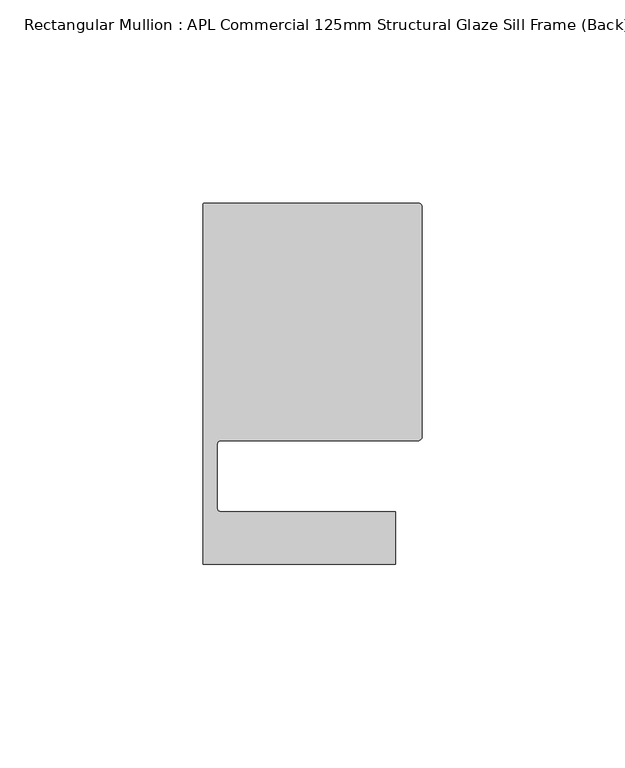
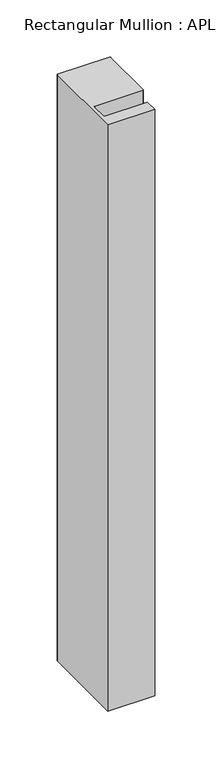
"""IFC4 building model written with IfcOpenShell, lengths in millimetres: member geometry, Rectangular Mullion : APL Commercial 125mm Structural Glaze Sill Frame (Back)."""

from ifc_helpers import new_model, si_unit, frame, origin, place, context, project, spatial, polyline, circle_curve, source, transform, mapped, element, save
from ifc_brep_helpers import plane_surface, cylinder_surface, revolved_surface, advanced_brep


def rectangular_mullion_apl_commercial_125mm_structural_glaze_0115c106(model_context):
    return source(origin(), model_context, "Body", "AdvancedBrep", [
        advanced_brep(
        [(-53.5000029, 104.0, 0.0), (-54.0000029, 103.5, 0.0), (-54.0000029, 15.0004332, 0.0), (-6.5000029, 15.0004332, 0.0), (-6.5000029, 28.0004332, 0.0), (-49.5000029, 28.0004332, 0.0), (-50.5000029, 29.0004332, 0.0), (-50.5000029, 44.5010268, 0.0), (-49.5000004, 45.5010268, 0.0), (-1.0, 45.5010268, 0.0), (0.0, 46.5010268, 0.0), (0.0, 103.0, 0.0), (-1.0000025, 104.0, 0.0), (-53.5000029, 104.0, -628.0250341), (-1.0000025, 104.0, -628.0250341), (-2.5e-06, 103.0, -628.0250341), (0.0, 46.5010268, -628.0250341), (-1.0, 45.5010268, -628.0250341), (-49.5000004, 45.5010268, -628.0250341), (-50.5000004, 44.5010268, -628.0250341), (-50.5000029, 29.0004332, -628.0250341), (-49.5000029, 28.0004332, -628.0250341), (-6.5000029, 28.0004332, -628.0250341), (-6.5000029, 15.0004332, -628.0250341), (-54.0000029, 15.0004332, -628.0250341), (-54.0000029, 103.5, -628.0250341)],
        [
            (0, 1, circle_curve(frame((-53.5000029, 103.5, 0.0), z_axis=(0.0, 0.0, 1.0), x_axis=(0.0, 1.0, 0.0)), 0.5)),
            (1, 2),
            (2, 3),
            (3, 4),
            (4, 5),
            (5, 6, circle_curve(frame((-49.5000029, 29.0004332, 0.0), z_axis=(0.0, 0.0, -1.0), x_axis=(0.0, -1.0, 0.0)), 1.0)),
            (6, 7),
            (7, 8, circle_curve(frame((-49.5000004, 44.5010268, 0.0), z_axis=(0.0, 0.0, -1.0), x_axis=(-0.9999999999998819, 4.863123717036027e-07, 0.0)), 1.0)),
            (8, 9),
            (9, 10, circle_curve(frame((-1.0, 46.5010268, 0.0), z_axis=(0.0, 0.0, 1.0), x_axis=(0.0, -1.0, 0.0)), 1.0)),
            (10, 11),
            (11, 12, circle_curve(frame((-1.0000025, 103.0, 0.0), z_axis=(0.0, 0.0, 1.0), x_axis=(0.9999999999996143, 8.78371761103865e-07, 0.0)), 1.0)),
            (12, 0),
            (13, 14),
            (14, 15, circle_curve(frame((-1.0000025, 103.0, -628.0250341), z_axis=(0.0, 0.0, -1.0), x_axis=(0.9999999999996143, 8.78371761103865e-07, 0.0)), 1.0)),
            (15, 16),
            (16, 17, circle_curve(frame((-1.0, 46.5010268, -628.0250341), z_axis=(0.0, 0.0, -1.0), x_axis=(0.0, -1.0, 0.0)), 1.0)),
            (17, 18),
            (18, 19, circle_curve(frame((-49.5000004, 44.5010268, -628.0250341), z_axis=(0.0, 0.0, 1.0), x_axis=(-0.9999999999998819, 4.863123717036027e-07, 0.0)), 1.0)),
            (19, 20),
            (20, 21, circle_curve(frame((-49.5000029, 29.0004332, -628.0250341), z_axis=(0.0, 0.0, 1.0), x_axis=(0.0, -1.0, 0.0)), 1.0)),
            (21, 22),
            (22, 23),
            (23, 24),
            (24, 25),
            (25, 13, circle_curve(frame((-53.5000029, 103.5, -628.0250341), z_axis=(0.0, 0.0, -1.0), x_axis=(0.0, 1.0, 0.0)), 0.5)),
            (0, 13),
            (25, 1),
            (24, 2),
            (23, 3),
            (22, 4),
            (21, 5),
            (20, 6),
            (19, 7),
            (18, 8),
            (17, 9),
            (16, 10),
            (15, 11),
            (14, 12),
        ],
        [
            plane_surface(frame((0.0, -116.986179, 0.0), z_axis=(0.0, 0.0, 1.0), x_axis=(-1.0, 0.0, 0.0))),
            plane_surface(frame((0.0, -116.986179, -628.0250341), z_axis=(0.0, 0.0, -1.0), x_axis=(-1.0, 0.0, 0.0))),
            cylinder_surface(frame((-53.5000029, 103.5, 0.0), z_axis=(0.0, 0.0, 1.0), x_axis=(0.0, 1.0, 0.0)), 0.5),
            plane_surface(frame((-54.0000029, 103.5, 0.0), z_axis=(-1.0, 0.0, 0.0), x_axis=(0.0, 0.0, -1.0))),
            plane_surface(frame((-54.0000029, 15.0004332, 0.0), z_axis=(0.0, -1.0, 0.0), x_axis=(0.0, 0.0, -1.0))),
            plane_surface(frame((-6.5000029, 15.0004332, 0.0), z_axis=(1.0, 0.0, 0.0), x_axis=(0.0, 0.0, -1.0))),
            plane_surface(frame((-6.5000029, 28.0004332, 0.0), z_axis=(0.0, 1.0, 0.0), x_axis=(0.0, 0.0, -1.0))),
            revolved_surface(polyline([(-49.5000029, 28.0004332, -628.0250341), (-49.5000029, 28.0004332, 0.0)]), (-49.5000029, 29.0004332, 0.0), (0.0, 0.0, -1.0)),
            plane_surface(frame((-50.5000029, 29.0004332, 0.0), z_axis=(1.0, 0.0, 0.0), x_axis=(0.0, 0.0, -1.0))),
            revolved_surface(polyline([(-50.50000039999988, 44.50102728631237, -628.0250341000002), (-50.50000039999988, 44.50102728631237, 0.0)]), (-49.5000004, 44.5010268, 0.0), (0.0, 0.0, -1.0000000000000002)),
            plane_surface(frame((-49.5000004, 45.5010268, 0.0), z_axis=(0.0, -1.0, 0.0), x_axis=(0.0, 0.0, -1.0))),
            cylinder_surface(frame((-1.0, 46.5010268, 0.0), z_axis=(0.0, 0.0, 1.0), x_axis=(0.0, -1.0, 0.0)), 1.0),
            plane_surface(frame((0.0, 46.5010268, 0.0), z_axis=(1.0, 0.0, 0.0), x_axis=(0.0, 0.0, -1.0))),
            cylinder_surface(frame((-1.0000025, 103.0, 0.0), z_axis=(0.0, 0.0, 1.0000000000000002), x_axis=(0.9999999999996143, 8.78371761103865e-07, 0.0)), 1.0),
            plane_surface(frame((-1.0000025, 104.0, 0.0), z_axis=(0.0, 1.0, 0.0), x_axis=(0.0, 0.0, -1.0))),
        ],
        [
            (0, [[1, 2, 3, 4, 5, 6, 7, 8, 9, 10, 11, 12, 13]]),
            (1, [[14, 15, 16, 17, 18, 19, 20, 21, 22, 23, 24, 25, 26]]),
            (2, [[-1, 27, -26, 28]]),
            (3, [[-2, -28, -25, 29]]),
            (4, [[-3, -29, -24, 30]]),
            (5, [[-4, -30, -23, 31]]),
            (6, [[-5, -31, -22, 32]]),
            (7, [[-6, -32, -21, 33]]),
            (8, [[-7, -33, -20, 34]]),
            (9, [[-8, -34, -19, 35]]),
            (10, [[-9, -35, -18, 36]]),
            (11, [[-10, -36, -17, 37]]),
            (12, [[-11, -37, -16, 38]]),
            (13, [[-12, -38, -15, 39]]),
            (14, [[-13, -39, -14, -27]]),
        ],
    ),
    ])


if __name__ == "__main__":
    model = new_model("IFC4")
    model_context = context("Model", 3, world=origin())
    ifc_project = project(units=[si_unit("LENGTHUNIT", "METRE", prefix="MILLI")], contexts=[model_context])
    site = spatial("IfcSite", under=ifc_project)
    building = spatial("IfcBuilding", under=site)
    placement = place(None, origin())
    rectangular_mullion_apl_commercial_125mm_structural_glaze_shape = rectangular_mullion_apl_commercial_125mm_structural_glaze_0115c106(model_context)
    element("IfcMember", 1, ObjectType="Rectangular Mullion : APL Commercial 125mm Structural Glaze Sill Frame (Back)", at=placement, inside=building, context=model_context, shape_type="MappedRepresentation", body=[
        mapped(rectangular_mullion_apl_commercial_125mm_structural_glaze_shape, transform((0.0, 0.0, 0.0), x_axis=(1.0, 0.0, 0.0), y_axis=(0.0, 1.0, 0.0), z_axis=(0.0, 0.0, 1.0))),
    ])
    save(model, "model.ifc")
